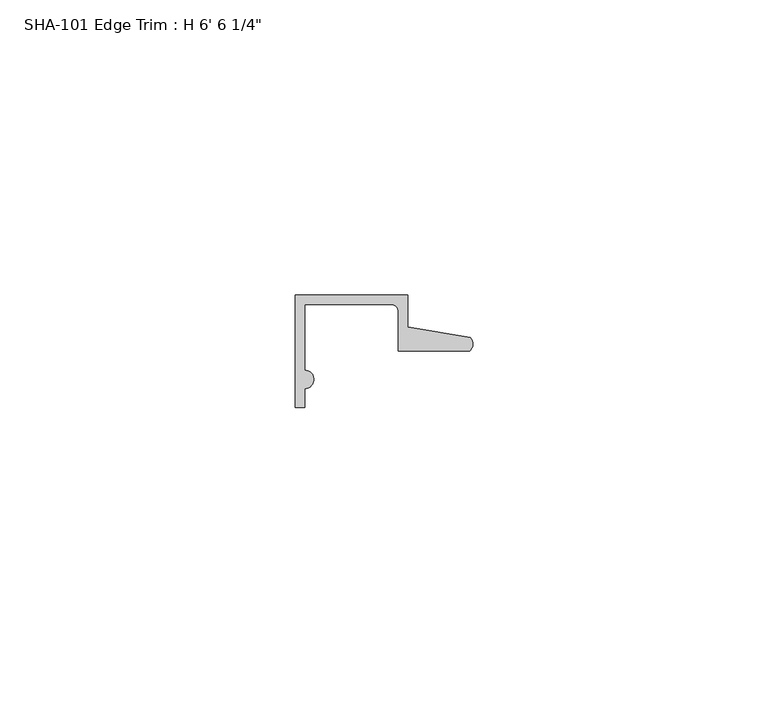
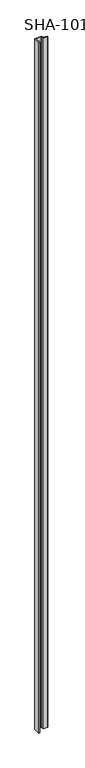
"""IFC4 building model written with IfcOpenShell, lengths in millimetres: proxy geometry."""

from ifc_helpers import new_model, si_unit, point, frame_2d, origin, origin_with_axes, place, context, project, spatial, polyline, circle_curve, trimmed, segment, composite_curve, outline, extrude, source, transform, mapped, element, save


def proxy_f9f8c0e0(model_context):
    return source(origin(), model_context, "Body", "SweptSolid", [
        extrude(outline(composite_curve([segment(trimmed(circle_curve(frame_2d((1.5748, -14.2875)), 1.5748), [point((1.5748, -12.7127))], [point((1.5748, -15.8623))], False, "CARTESIAN"), True, "CONTINUOUS"), segment(polyline([(1.5748, -15.8623), (1.5748, -19.05), (0.0, -19.05), (0.0, 0.0), (19.0246, 0.0), (19.0246, -5.392657), (29.6006869, -7.2036308)]), True, "CONTINUOUS"), segment(trimmed(circle_curve(frame_2d((28.4438454, -8.3323235)), 1.6162393), [point((29.6006869, -7.2036308))], [point((29.5346031, -9.525))], False, "CARTESIAN"), True, "CONTINUOUS"), segment(polyline([(29.5346031, -9.525), (17.4498, -9.525), (17.4498, -2.8448)]), True, "CONTINUOUS"), segment(trimmed(circle_curve(frame_2d((16.1798, -2.8448)), 1.27), [point((17.4498, -2.8448))], [point((16.1798, -1.5748))], True, "CARTESIAN"), True, "CONTINUOUS"), segment(polyline([(16.1798, -1.5748), (1.5748, -1.5748), (1.5748, -12.7127)]), True, "CONTINUOUS")], self_intersect=False)), origin_with_axes(), (0.0, 0.0, 1.0), 1987.55),
    ])


if __name__ == "__main__":
    model = new_model("IFC4")
    model_context = context("Model", 3, world=origin())
    ifc_project = project(units=[si_unit("LENGTHUNIT", "METRE", prefix="MILLI")], contexts=[model_context])
    site = spatial("IfcSite", under=ifc_project)
    building = spatial("IfcBuilding", under=site)
    placement = place(None, origin())
    proxy_shape = proxy_f9f8c0e0(model_context)
    element("IfcBuildingElementProxy", 1, Name="SHA-101 Edge Trim : H 6' 6 1/4\"", ObjectType="SHA-101 Edge Trim : H 6' 6 1/4\"", at=placement, inside=building, context=model_context, shape_type="MappedRepresentation", body=[
        mapped(proxy_shape, transform((0.0, 0.0, 0.0), x_axis=(1.0, 0.0, 0.0), y_axis=(0.0, 1.0, 0.0), z_axis=(0.0, 0.0, 1.0))),
    ])
    save(model, "model.ifc")
